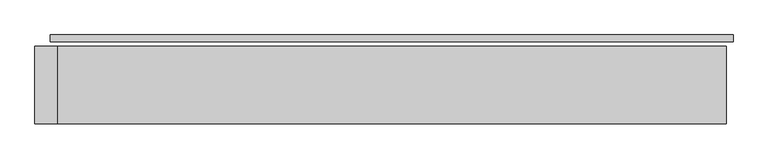
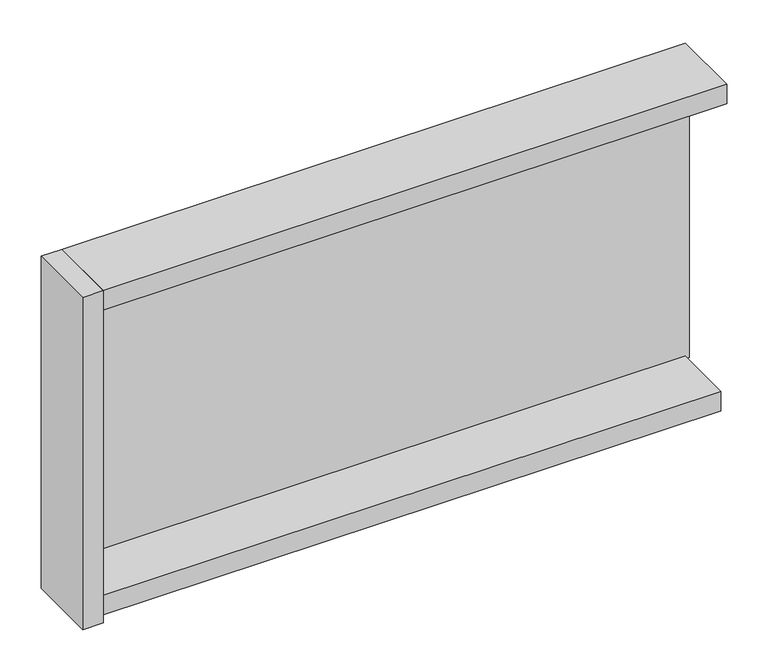
"""IFC4 building model written with IfcOpenShell, lengths in millimetres: plate geometry."""

from ifc_helpers import new_model, si_unit, frame, origin, origin_with_axes, place, context, project, spatial, polyline, outline, extrude, source, transform, mapped, element, save


def plate_27855642(model_context):
    return source(origin(), model_context, "Body", "SweptSolid", [
        extrude(outline(polyline([(1235.0, 0.0), (1235.0, -25.0), (-1235.0, -25.0), (-1235.0, 0.0), (1235.0, 0.0)])), origin_with_axes(), (0.0, 0.0, 1.0), 1254.465707),
        extrude(outline(polyline([(-1210.0, -41.0), (-1210.0, -321.0), (-1290.0, -321.0), (-1290.0, -41.0), (-1210.0, -41.0)])), frame((0.0, 0.0, -55.0), z_axis=(0.0, 0.0, 1.0), x_axis=(1.0, 0.0, 0.0)), (0.0, 0.0, 1.0), 1364.465707),
        extrude(outline(polyline([(1210.0, -281.0), (-1210.0, -281.0), (-1210.0, -41.0), (1210.0, -41.0), (1210.0, -281.0)])), frame((0.0, 0.0, -55.0), z_axis=(0.0, 0.0, 1.0), x_axis=(1.0, 0.0, 0.0)), (0.0, 0.0, 1.0), 80.0),
        extrude(outline(polyline([(1210.0, -41.0), (1210.0, -321.0), (-1210.0, -321.0), (-1210.0, -41.0), (1210.0, -41.0)])), frame((0.0, 0.0, 1229.465707), z_axis=(0.0, 0.0, 1.0), x_axis=(1.0, 0.0, 0.0)), (0.0, 0.0, 1.0), 80.0),
    ])


if __name__ == "__main__":
    model = new_model("IFC4")
    model_context = context("Model", 3, world=origin())
    ifc_project = project(units=[si_unit("LENGTHUNIT", "METRE", prefix="MILLI")], contexts=[model_context])
    site = spatial("IfcSite", under=ifc_project)
    building = spatial("IfcBuilding", under=site)
    placement = place(None, origin())
    plate_shape = plate_27855642(model_context)
    element("IfcPlate", 1, at=placement, inside=building, context=model_context, shape_type="MappedRepresentation", body=[
        mapped(plate_shape, transform((0.0, 0.0, 0.0), x_axis=(1.0, 0.0, 0.0), y_axis=(0.0, 1.0, 0.0), z_axis=(0.0, 0.0, 1.0))),
    ])
    save(model, "model.ifc")
